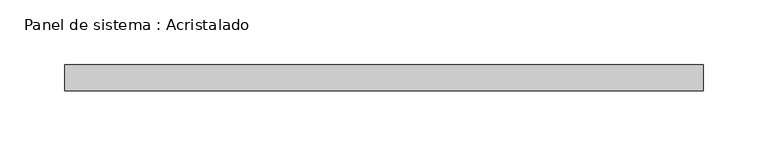
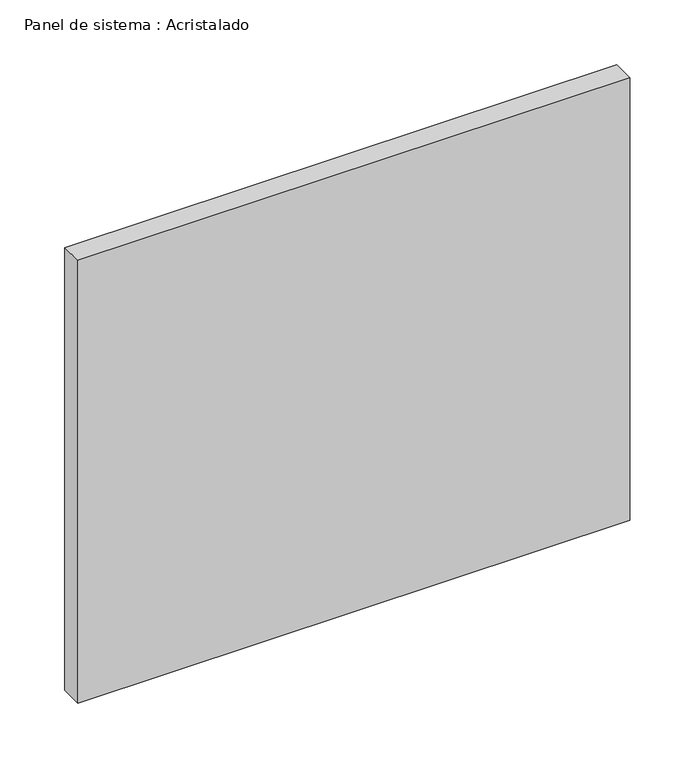
"""IFC4 building model written with IfcOpenShell, lengths in millimetres: plate geometry, Panel de sistema : Acristalado."""

from ifc_helpers import new_model, si_unit, origin, origin_with_axes, place, context, project, spatial, polyline, outline, extrude, source, transform, mapped, element, save


def panel_de_sistema_acristalado_80e0a1f5(model_context):
    return source(origin(), model_context, "Body", "SweptSolid", [
        extrude(outline(polyline([(246.3333333, -10.0), (-246.3333333, -10.0), (-246.3333333, 10.0), (246.3333333, 10.0), (246.3333333, -10.0)])), origin_with_axes(), (0.0, 0.0, 1.0), 417.7452144),
    ])


if __name__ == "__main__":
    model = new_model("IFC4")
    model_context = context("Model", 3, world=origin())
    ifc_project = project(units=[si_unit("LENGTHUNIT", "METRE", prefix="MILLI")], contexts=[model_context])
    site = spatial("IfcSite", under=ifc_project)
    building = spatial("IfcBuilding", under=site)
    placement = place(None, origin())
    panel_de_sistema_acristalado_shape = panel_de_sistema_acristalado_80e0a1f5(model_context)
    element("IfcPlate", 1, ObjectType="Panel de sistema : Acristalado", at=placement, inside=building, context=model_context, shape_type="MappedRepresentation", body=[
        mapped(panel_de_sistema_acristalado_shape, transform((0.0, 0.0, 0.0), x_axis=(1.0, 0.0, 0.0), y_axis=(0.0, 1.0, 0.0), z_axis=(0.0, 0.0, 1.0))),
    ])
    save(model, "model.ifc")
